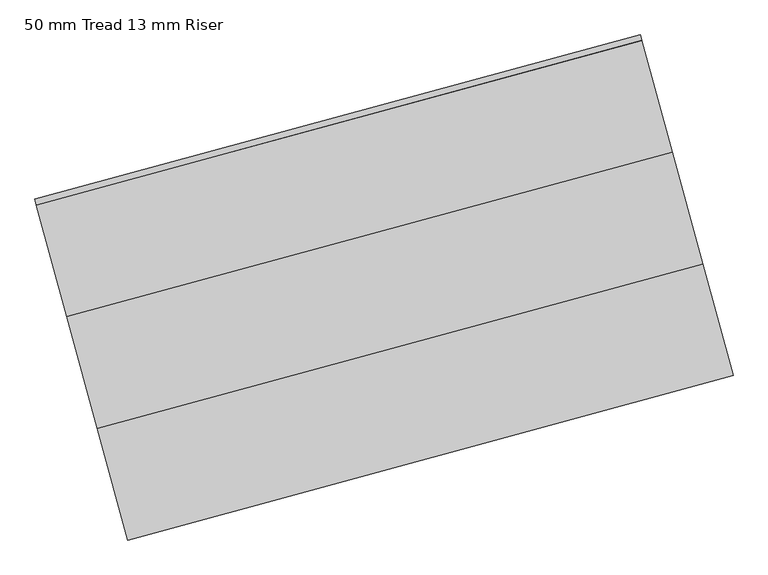
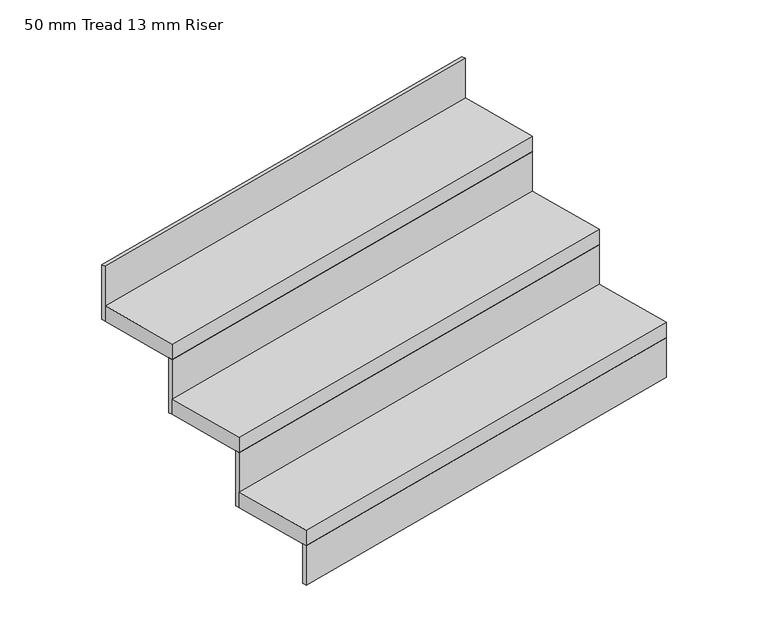
"""IFC4 building model written with IfcOpenShell, lengths in millimetres: stair flight geometry, 50 mm Tread 13 mm Riser."""

from ifc_helpers import new_model, si_unit, frame, origin, origin_with_axes, place, context, project, spatial, polyline, outline, extrude, source, transform, mapped, element, save


def stair_flight_50_mm_tread_13_mm_riser_24a65458(model_context):
    return source(origin(), model_context, "Body", "SweptSolid", [
        extrude(outline(polyline([(220134.3014603, 77433.2416302), (220137.5800707, 77421.1792625), (218831.1356803, 77066.0812942), (218827.8570698, 77078.1436618), (220134.3014603, 77433.2416302)])), origin_with_axes(), (0.0, 0.0, 1.0), 127.7777778),
        extrude(outline(polyline([(218765.563471, 77307.3286473), (220072.0078615, 77662.4266156), (220137.5800707, 77421.1792625), (218831.1356803, 77066.0812942), (218765.563471, 77307.3286473)])), frame((0.0, 0.0, 127.7777778), z_axis=(0.0, 0.0, 1.0), x_axis=(1.0, 0.0, 0.0)), (0.0, 0.0, 1.0), 50.0),
        extrude(outline(polyline([(220068.729251, 77674.4889833), (220072.0078615, 77662.4266156), (218765.563471, 77307.3286473), (218762.2848606, 77319.3910149), (220068.729251, 77674.4889833)])), frame((0.0, 0.0, 127.7777778), z_axis=(0.0, 0.0, 1.0), x_axis=(1.0, 0.0, 0.0)), (0.0, 0.0, 1.0), 177.7777778),
        extrude(outline(polyline([(218699.9912618, 77548.5760004), (220006.4356522, 77903.6739687), (220072.0078615, 77662.4266156), (218765.563471, 77307.3286473), (218699.9912618, 77548.5760004)])), frame((0.0, 0.0, 305.5555556), z_axis=(0.0, 0.0, 1.0), x_axis=(1.0, 0.0, 0.0)), (0.0, 0.0, 1.0), 50.0),
        extrude(outline(polyline([(220003.1570418, 77915.7363364), (220006.4356522, 77903.6739687), (218699.9912618, 77548.5760004), (218696.7126513, 77560.638368), (220003.1570418, 77915.7363364)])), frame((0.0, 0.0, 305.5555556), z_axis=(0.0, 0.0, 1.0), x_axis=(1.0, 0.0, 0.0)), (0.0, 0.0, 1.0), 177.7777778),
        extrude(outline(polyline([(219937.5848325, 78156.9836895), (219940.863443, 78144.9213218), (218634.4190525, 77789.8233534), (218631.140442, 77801.8857211), (219937.5848325, 78156.9836895)])), frame((0.0, 0.0, 483.3333333), z_axis=(0.0, 0.0, 1.0), x_axis=(1.0, 0.0, 0.0)), (0.0, 0.0, 1.0), 177.7777778),
        extrude(outline(polyline([(218634.4190525, 77789.8233534), (219940.863443, 78144.9213218), (220006.4356522, 77903.6739687), (218699.9912618, 77548.5760004), (218634.4190525, 77789.8233534)])), frame((0.0, 0.0, 483.3333333), z_axis=(0.0, 0.0, 1.0), x_axis=(1.0, 0.0, 0.0)), (0.0, 0.0, 1.0), 50.0),
    ])


if __name__ == "__main__":
    model = new_model("IFC4")
    model_context = context("Model", 3, world=origin())
    ifc_project = project(units=[si_unit("LENGTHUNIT", "METRE", prefix="MILLI")], contexts=[model_context])
    site = spatial("IfcSite", under=ifc_project)
    building = spatial("IfcBuilding", under=site)
    placement = place(None, origin())
    stair_flight_50_mm_tread_13_mm_riser_shape = stair_flight_50_mm_tread_13_mm_riser_24a65458(model_context)
    element("IfcStairFlight", 1, ObjectType="50 mm Tread 13 mm Riser", at=placement, inside=building, context=model_context, shape_type="MappedRepresentation", body=[
        mapped(stair_flight_50_mm_tread_13_mm_riser_shape, transform((0.0, 0.0, 0.0), x_axis=(1.0, 0.0, 0.0), y_axis=(0.0, 1.0, 0.0), z_axis=(0.0, 0.0, 1.0))),
    ])
    save(model, "model.ifc")
